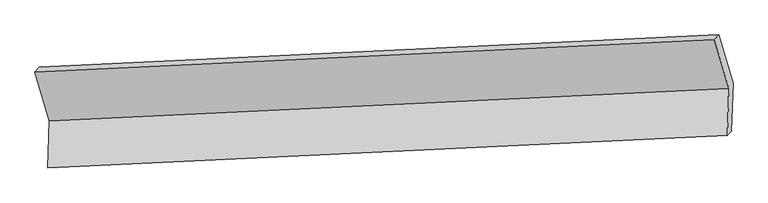
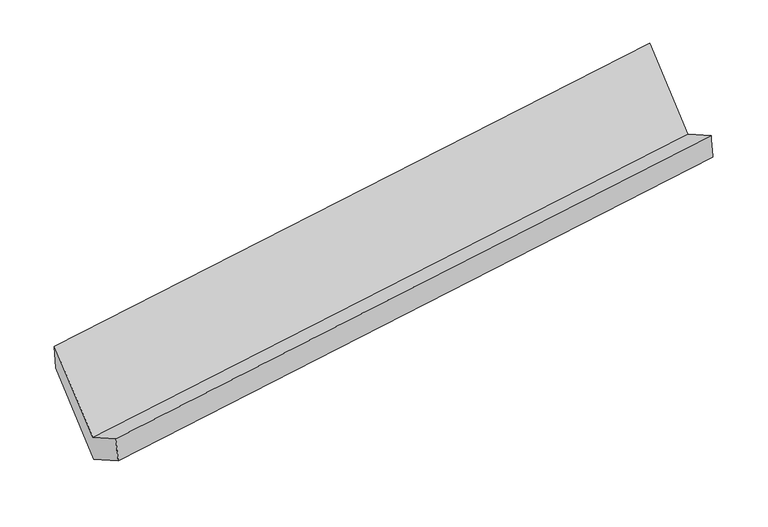
"""IFC4 building model written with IfcOpenShell, lengths in millimetres: proxy geometry."""

from ifc_helpers import new_model, si_unit, frame, origin, place, context, project, spatial, source, transform, mapped, element, save
from ifc_brep_helpers import plane_surface, spline_surface, advanced_brep


def generic_models_f95477e0(model_context):
    return source(origin(), model_context, "Body", "AdvancedBrep", [
        advanced_brep(
        [(-5189.5704057, -1637.1105527, 1434.6574544), (-5200.7865598, -1962.8060119, 1624.5299393), (-497.6935225, -1737.9638548, 2307.8956991), (-486.4773685, -1412.2683957, 2118.0232141), (-5172.7251543, -1945.0490533, 1426.2675466), (-469.3347381, -1711.571583, 2104.59913), (-5160.9142422, -1602.0829678, 1226.326709), (-457.821205, -1377.2408107, 1909.6924687), (-5261.4454284, -1265.5447811, 1797.664815), (-558.3523912, -1040.7026241, 2481.0305748), (-5290.1015919, -1300.5723661, 2005.9955604), (-587.0085547, -1075.7302091, 2689.3613202)],
        [
            (0, 1),
            (1, 2),
            (2, 3),
            (3, 0),
            (1, 4),
            (4, 5),
            (5, 2),
            (4, 6),
            (6, 7),
            (7, 5),
            (6, 8),
            (8, 9),
            (9, 7),
            (8, 10),
            (10, 11),
            (11, 9),
            (10, 0),
            (3, 11),
        ],
        [
            plane_surface(frame((-5195.1784827, -1799.9582823, 1529.5936969), z_axis=(-0.14782027935839745, 0.5019019094195043, 0.8521992949606688), x_axis=(-0.029737904084914932, -0.8635313208047727, 0.5034176348220244))),
            spline_surface(1, 1, [[(-5200.7865598, -1962.8060119, 1624.5299393), (-497.6935225, -1737.9638548, 2307.8956991)], [(-5172.7251543, -1945.0490533, 1426.2675466), (-469.3347381, -1711.571583, 2104.59913)]], [2, 2], [2, 2], [0.0, 1.0], [0.0, 1.0]),
            plane_surface(frame((-5166.8196983, -1773.5660105, 1326.2971278), z_axis=(0.14782027935839745, -0.5019019094195045, -0.8521992949606687), x_axis=(0.029737904084914966, 0.8635313208047726, -0.5034176348220246))),
            plane_surface(frame((-5211.1798353, -1433.8138745, 1511.995762), z_axis=(0.03181496880468806, 0.8636347723252219, -0.5031130964213905), x_axis=(-0.14989774086130694, 0.5017976588938361, 0.8518977502102831))),
            plane_surface(frame((-5275.7735102, -1283.0585736, 1901.8301877), z_axis=(-0.06977945443730982, 0.9852795151940645, 0.15606122092749602), x_axis=(-0.13441632739073928, -0.16430250093101273, 0.9772087489981863))),
            plane_surface(frame((-5239.8359988, -1468.8414594, 1720.3265074), z_axis=(-0.03181496880468804, -0.8636347723252219, 0.5031130964213905), x_axis=(0.14989774086130694, -0.5017976588938361, -0.8518977502102831))),
            plane_surface(frame((-509.4479633, -1392.5795796, 2268.4337345), z_axis=(0.9882541800292639, 0.05012751258364839, 0.14436380480183994), x_axis=(-0.13441632739073928, -0.16430250093101273, 0.9772087489981863))),
            plane_surface(frame((-5212.5905637, -1618.8609555, 1585.9070041), z_axis=(-0.9882541800292644, -0.05012751258366359, -0.14436380480183109), x_axis=(-0.14989774086130694, 0.5017976588938361, 0.8518977502102831))),
        ],
        [
            (0, [[1, 2, 3, 4]]),
            (1, [[5, 6, 7, -2]]),
            (2, [[8, 9, 10, -6]]),
            (3, [[11, 12, 13, -9]]),
            (4, [[14, 15, 16, -12]]),
            (5, [[17, -4, 18, -15]]),
            (6, [[-16, -18, -3, -7, -10, -13]]),
            (7, [[-17, -14, -11, -8, -5, -1]]),
        ],
    ),
    ])


if __name__ == "__main__":
    model = new_model("IFC4")
    model_context = context("Model", 3, world=origin())
    ifc_project = project(units=[si_unit("LENGTHUNIT", "METRE", prefix="MILLI")], contexts=[model_context])
    site = spatial("IfcSite", under=ifc_project)
    building = spatial("IfcBuilding", under=site)
    placement = place(None, origin())
    generic_models_shape = generic_models_f95477e0(model_context)
    element("IfcBuildingElementProxy", 1, Name="Generic Models", at=placement, inside=building, context=model_context, shape_type="MappedRepresentation", body=[
        mapped(generic_models_shape, transform((0.0, 0.0, 0.0), x_axis=(1.0, 0.0, 0.0), y_axis=(0.0, 1.0, 0.0), z_axis=(0.0, 0.0, 1.0))),
    ])
    save(model, "model.ifc")
